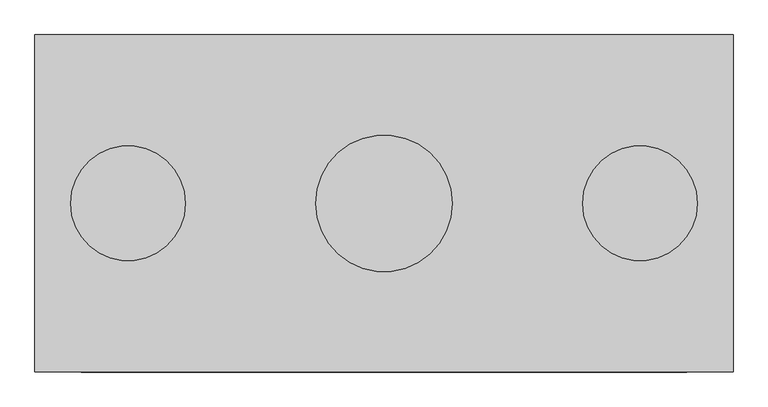
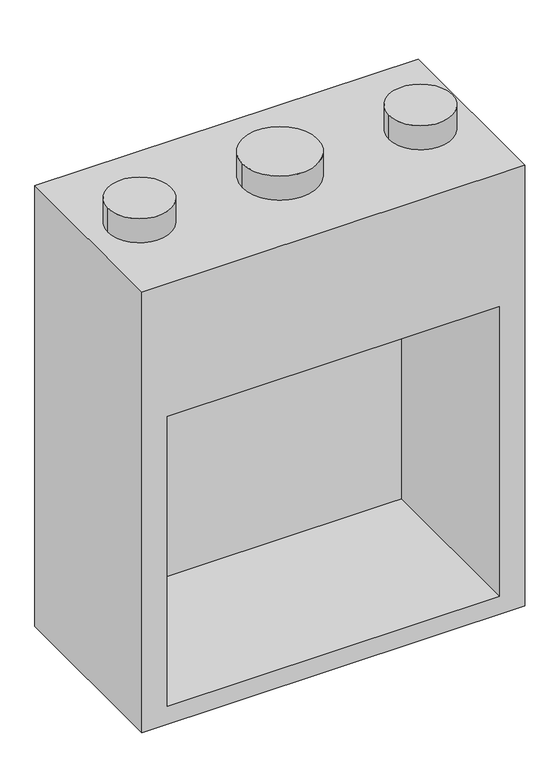
"""IFC4 building model written with IfcOpenShell, lengths in millimetres: proxy geometry."""

from ifc_helpers import new_model, si_unit, point, frame, frame_2d, origin, origin_2d, place, context, project, spatial, circle_curve, trimmed, segment, composite_curve, outline, extrude, faceted_brep, source, transform, mapped, element, save


def generic_models_cf3109e2(model_context):
    return source(origin(), model_context, "Body", "SolidModel", [
        faceted_brep([(762.0, 368.3, 1854.2), (-762.0, 368.3, 1854.2), (-762.0, -368.3, 1854.2), (762.0, -368.3, 1854.2), (762.0, 368.3, 0.0), (762.0, -368.3, 0.0), (-762.0, -368.3, 0.0), (-762.0, 368.3, 0.0), (-660.4, -368.3, 1295.4), (660.4, -368.3, 1295.4), (660.4, -368.3, 76.2), (-660.4, -368.3, 76.2), (660.4, 307.149358, 1295.4), (-660.4, 307.149358, 1295.4), (-660.4, 307.149358, 76.2), (660.4, 307.149358, 76.2)], [[[0, 1, 2, 3]], [[4, 5, 6, 7]], [[1, 0, 4, 7]], [[2, 1, 7, 6]], [[3, 2, 6, 5], [8, 9, 10, 11]], [[0, 3, 5, 4]], [[12, 13, 14, 15]], [[13, 12, 9, 8]], [[14, 13, 8, 11]], [[15, 14, 11, 10]], [[12, 15, 10, 9]]]),
        extrude(outline(composite_curve([segment(trimmed(circle_curve(origin_2d(), 149.225), [point((-149.225, 0.0))], [point((149.225, 0.0))], False, "CARTESIAN"), True, "CONTINUOUS"), segment(trimmed(circle_curve(origin_2d(), 149.225), [point((149.225, 0.0))], [point((-149.225, 0.0))], False, "CARTESIAN"), True, "CONTINUOUS")], self_intersect=False)), frame((0.0, 0.0, 1854.2), z_axis=(0.0, 0.0, 1.0), x_axis=(1.0, 0.0, 0.0)), (0.0, 0.0, 1.0), 101.6),
        extrude(outline(composite_curve([segment(trimmed(circle_curve(frame_2d((-558.8, 0.0)), 125.4125), [point((-684.2125, 0.0))], [point((-433.3875, 0.0))], False, "CARTESIAN"), True, "CONTINUOUS"), segment(trimmed(circle_curve(frame_2d((-558.8, 0.0)), 125.4125), [point((-433.3875, 0.0))], [point((-684.2125, 0.0))], False, "CARTESIAN"), True, "CONTINUOUS")], self_intersect=False)), frame((0.0, 0.0, 1854.2), z_axis=(0.0, 0.0, 1.0), x_axis=(1.0, 0.0, 0.0)), (0.0, 0.0, 1.0), 101.6),
        extrude(outline(composite_curve([segment(trimmed(circle_curve(frame_2d((558.8, 0.0)), 125.4125), [point((433.3875, 0.0))], [point((684.2125, 0.0))], False, "CARTESIAN"), True, "CONTINUOUS"), segment(trimmed(circle_curve(frame_2d((558.8, 0.0)), 125.4125), [point((684.2125, 0.0))], [point((433.3875, 0.0))], False, "CARTESIAN"), True, "CONTINUOUS")], self_intersect=False)), frame((0.0, 0.0, 1854.2), z_axis=(0.0, 0.0, 1.0), x_axis=(1.0, 0.0, 0.0)), (0.0, 0.0, 1.0), 101.6),
    ])


if __name__ == "__main__":
    model = new_model("IFC4")
    model_context = context("Model", 3, world=origin())
    ifc_project = project(units=[si_unit("LENGTHUNIT", "METRE", prefix="MILLI")], contexts=[model_context])
    site = spatial("IfcSite", under=ifc_project)
    building = spatial("IfcBuilding", under=site)
    placement = place(None, origin())
    generic_models_shape = generic_models_cf3109e2(model_context)
    element("IfcBuildingElementProxy", 1, Name="Generic Models", at=placement, inside=building, context=model_context, shape_type="MappedRepresentation", body=[
        mapped(generic_models_shape, transform((0.0, 0.0, 0.0), x_axis=(1.0, 0.0, 0.0), y_axis=(0.0, 1.0, 0.0), z_axis=(0.0, 0.0, 1.0))),
    ])
    save(model, "model.ifc")
